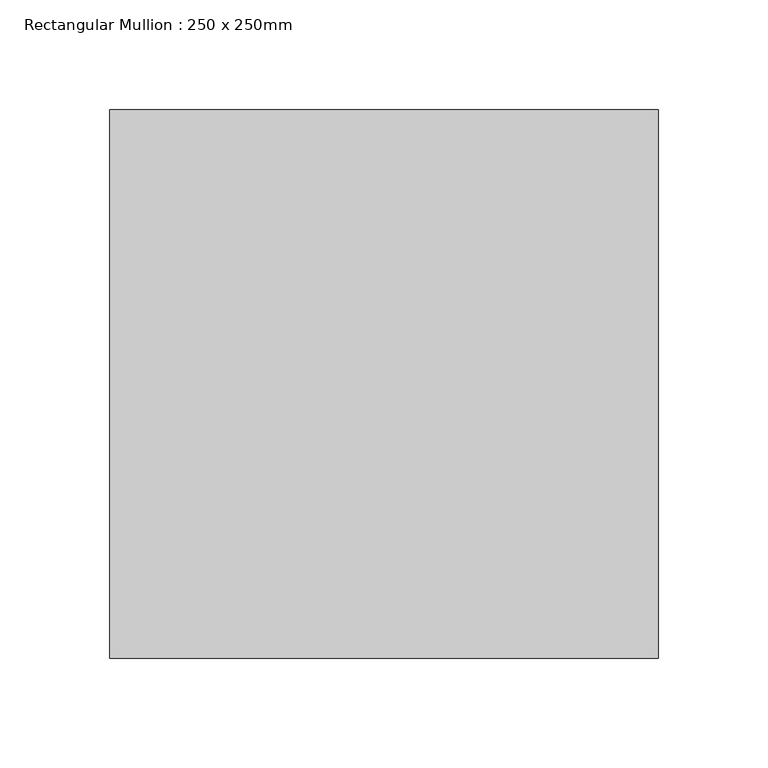
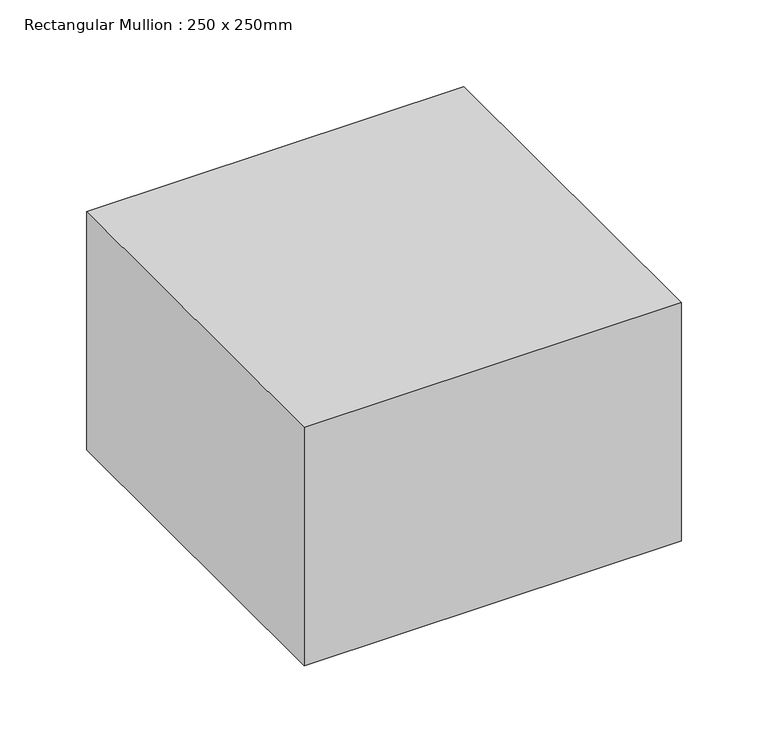
"""IFC4 building model written with IfcOpenShell, lengths in millimetres: member geometry, Rectangular Mullion : 250 x 250mm."""

from ifc_helpers import new_model, si_unit, frame, origin, place, context, project, spatial, polyline, outline, extrude, source, transform, mapped, element, save


def rectangular_mullion_250_x_250mm_cc2cbd3e(model_context):
    return source(origin(), model_context, "Body", "SweptSolid", [
        extrude(outline(polyline([(0.0, 125.0), (0.0, -125.0), (-250.0, -125.0), (-250.0, 125.0), (0.0, 125.0)])), frame((0.0, 0.0, -167.3104618), z_axis=(0.0, 0.0, 1.0), x_axis=(1.0, 0.0, 0.0)), (0.0, 0.0, 1.0), 167.3104618),
    ])


if __name__ == "__main__":
    model = new_model("IFC4")
    model_context = context("Model", 3, world=origin())
    ifc_project = project(units=[si_unit("LENGTHUNIT", "METRE", prefix="MILLI")], contexts=[model_context])
    site = spatial("IfcSite", under=ifc_project)
    building = spatial("IfcBuilding", under=site)
    placement = place(None, origin())
    rectangular_mullion_250_x_250mm_shape = rectangular_mullion_250_x_250mm_cc2cbd3e(model_context)
    element("IfcMember", 1, ObjectType="Rectangular Mullion : 250 x 250mm", at=placement, inside=building, context=model_context, shape_type="MappedRepresentation", body=[
        mapped(rectangular_mullion_250_x_250mm_shape, transform((0.0, 0.0, 0.0), x_axis=(1.0, 0.0, 0.0), y_axis=(0.0, 1.0, 0.0), z_axis=(0.0, 0.0, 1.0))),
    ])
    save(model, "model.ifc")
